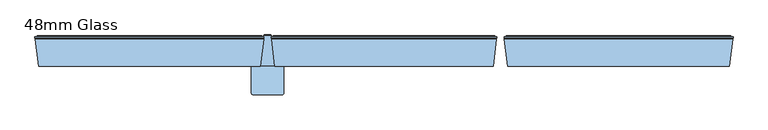
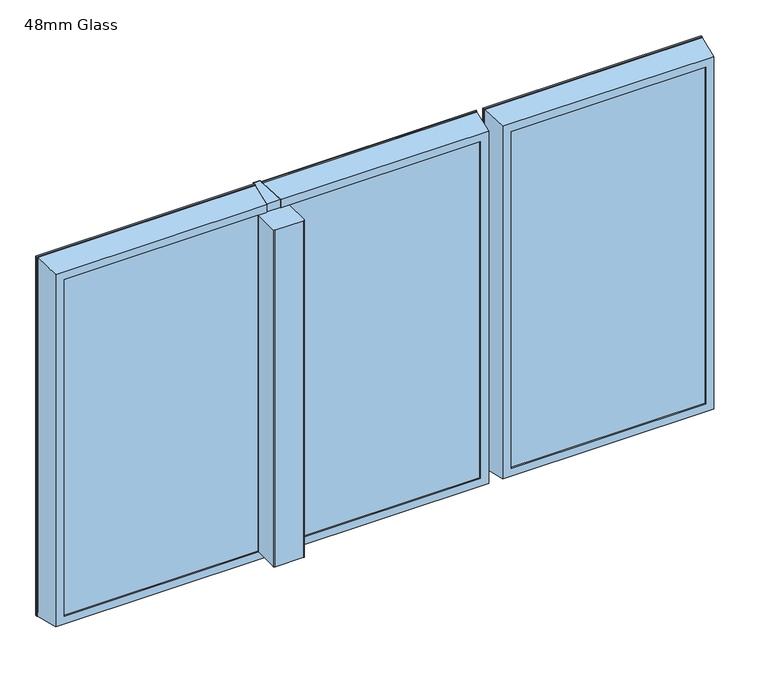
"""IFC4 building model written with IfcOpenShell, lengths in millimetres: window geometry, 48mm Glass."""

from ifc_helpers import new_model, si_unit, frame, origin, place, context, project, spatial, polyline, circle_curve, ellipse_curve, outline, extrude, source, transform, mapped, element, save
from ifc_brep_helpers import plane_surface, cylinder_surface, revolved_surface, advanced_brep


def window_48mm_glass_6d3813c8(model_context):
    return source(origin(), model_context, "Body", "SolidModel", [
        extrude(outline(polyline([(-257.0, 93.0), (-702.0, 93.0), (-702.0, 141.0), (-257.0, 141.0), (-257.0, 93.0)])), frame((0.0, 0.0, 848.0), z_axis=(0.0, 0.0, 1.0), x_axis=(1.0, 0.0, 0.0)), (0.0, 0.0, 1.0), 792.0),
        advanced_brep(
        [(-271.0, 142.3448353, 1626.0), (-268.1115983, 151.7923717, 1628.8884017), (-268.1115983, 151.7923717, 859.1115983), (-271.0, 142.3448353, 862.0), (-271.0, 141.0, 1626.0), (-271.0, 141.0, 862.0), (-257.0, 93.0, 1640.0), (-257.0, 141.0, 1640.0), (-257.0, 141.0, 848.0), (-257.0, 93.0, 848.0), (-271.0, 90.0, 1626.0), (-271.0, 93.0, 1626.0), (-271.0, 93.0, 862.0), (-271.0, 90.0, 862.0), (-246.177975, 145.5609347, 1650.822025), (-253.0, 90.0, 1644.0), (-253.0, 90.0, 844.0), (-246.177975, 145.5609347, 837.177975), (-245.4, 147.2, 1651.6), (-245.4, 147.2, 836.4), (-245.4, 150.5, 1651.6), (-245.4, 150.5, 836.4), (-249.78, 151.5, 1647.22), (-249.78, 150.5, 1647.22), (-249.78, 150.5, 840.78), (-249.78, 151.5, 840.78), (-250.78, 152.5, 1646.22), (-250.78, 152.5, 841.78), (-267.1552935, 152.5, 1629.8447065), (-267.1552935, 152.5, 858.1552935), (-690.8884017, 151.7923717, 859.1115983), (-688.0, 142.3448353, 862.0), (-688.0, 141.0, 862.0), (-702.0, 141.0, 848.0), (-702.0, 93.0, 848.0), (-688.0, 93.0, 862.0), (-688.0, 90.0, 862.0), (-706.0, 90.0, 844.0), (-712.822025, 145.5609347, 837.177975), (-713.6, 147.2, 836.4), (-713.6, 150.5, 836.4), (-709.22, 150.5, 840.78), (-709.22, 151.5, 840.78), (-708.22, 152.5, 841.78), (-691.8447065, 152.5, 858.1552935), (-690.8884017, 151.7923717, 1628.8884017), (-688.0, 142.3448353, 1626.0), (-688.0, 141.0, 1626.0), (-702.0, 141.0, 1640.0), (-702.0, 93.0, 1640.0), (-688.0, 93.0, 1626.0), (-688.0, 90.0, 1626.0), (-706.0, 90.0, 1644.0), (-712.822025, 145.5609347, 1650.822025), (-713.6, 147.2, 1651.6), (-713.6, 150.5, 1651.6), (-709.22, 150.5, 1647.22), (-709.22, 151.5, 1647.22), (-708.22, 152.5, 1646.22), (-691.8447065, 152.5, 1629.8447065)],
        [
            (0, 1),
            (1, 2),
            (2, 3),
            (3, 0),
            (4, 0),
            (3, 5),
            (5, 4),
            (6, 7),
            (7, 8),
            (8, 9),
            (9, 6),
            (10, 11),
            (11, 12),
            (12, 13),
            (13, 10),
            (14, 15),
            (15, 16),
            (16, 17),
            (17, 14),
            (18, 14),
            (17, 19),
            (19, 18),
            (20, 18),
            (19, 21),
            (21, 20),
            (22, 23),
            (23, 24),
            (24, 25),
            (25, 22),
            (26, 22, ellipse_curve(frame((-250.78, 151.5, 1646.22), z_axis=(0.7071067811865475, 0.0, -0.7071067811865475), x_axis=(0.7071067811865474, 0.0, 0.7071067811865476)), 1.4142136, 1.0)),
            (25, 27, ellipse_curve(frame((-250.78, 151.5, 841.78), z_axis=(0.7071067811865475, 0.0, 0.7071067811865475), x_axis=(-0.7071067811865474, 0.0, 0.7071067811865476)), 1.4142136, 1.0)),
            (27, 26),
            (1, 28, ellipse_curve(frame((-267.1552935, 151.5, 1629.8447065), z_axis=(0.7071067811865475, 0.0, -0.7071067811865475), x_axis=(0.7071067811865474, 0.0, 0.7071067811865476)), 1.4142136, 1.0)),
            (28, 29),
            (29, 2, ellipse_curve(frame((-267.1552935, 151.5, 858.1552935), z_axis=(0.7071067811865475, 0.0, 0.7071067811865475), x_axis=(-0.7071067811865474, 0.0, 0.7071067811865476)), 1.4142136, 1.0)),
            (2, 30),
            (30, 31),
            (31, 3),
            (31, 32),
            (32, 5),
            (8, 33),
            (33, 34),
            (34, 9),
            (12, 35),
            (35, 36),
            (36, 13),
            (16, 37),
            (37, 38),
            (38, 17),
            (38, 39),
            (39, 19),
            (39, 40),
            (40, 21),
            (24, 41),
            (41, 42),
            (42, 25),
            (42, 43, ellipse_curve(frame((-708.22, 151.5, 841.78), z_axis=(0.7071067811865475, 0.0, -0.7071067811865475), x_axis=(0.7071067811865476, 0.0, 0.7071067811865474)), 1.4142136, 1.0)),
            (43, 27),
            (29, 44),
            (44, 30, ellipse_curve(frame((-691.8447065, 151.5, 858.1552935), z_axis=(0.7071067811865475, 0.0, -0.7071067811865475), x_axis=(0.7071067811865476, 0.0, 0.7071067811865474)), 1.4142136, 1.0)),
            (30, 45),
            (45, 46),
            (46, 31),
            (46, 47),
            (47, 32),
            (33, 48),
            (48, 49),
            (49, 34),
            (35, 50),
            (50, 51),
            (51, 36),
            (37, 52),
            (52, 53),
            (53, 38),
            (53, 54),
            (54, 39),
            (54, 55),
            (55, 40),
            (41, 56),
            (56, 57),
            (57, 42),
            (57, 58, ellipse_curve(frame((-708.22, 151.5, 1646.22), z_axis=(-0.7071067811865475, 0.0, -0.7071067811865475), x_axis=(0.7071067811865474, 0.0, -0.7071067811865476)), 1.4142136, 1.0)),
            (58, 43),
            (44, 59),
            (59, 45, ellipse_curve(frame((-691.8447065, 151.5, 1629.8447065), z_axis=(-0.7071067811865475, 0.0, -0.7071067811865475), x_axis=(0.7071067811865474, 0.0, -0.7071067811865476)), 1.4142136, 1.0)),
            (45, 1),
            (0, 46),
            (4, 47),
            (7, 48),
            (6, 49),
            (11, 50),
            (10, 51),
            (15, 52),
            (14, 53),
            (18, 54),
            (20, 55),
            (23, 56),
            (22, 57),
            (26, 58),
            (28, 59),
        ],
        [
            plane_surface(frame((-268.1115983, 151.7923717, 1628.8884017), z_axis=(-0.9563047559630347, 0.29237170472273977, 0.0), x_axis=(0.0, 0.0, -1.0))),
            plane_surface(frame((-271.0, 142.3448353, 1626.0), z_axis=(-1.0, 0.0, 0.0), x_axis=(0.0, 0.0, -1.0))),
            plane_surface(frame((-257.0, 141.0, 1640.0), z_axis=(-1.0, 0.0, 0.0), x_axis=(0.0, 0.0, -1.0))),
            plane_surface(frame((-271.0, 93.0, 1626.0), z_axis=(-1.0, 0.0, 0.0), x_axis=(0.0, 0.0, -1.0))),
            plane_surface(frame((-253.0, 90.0, 1644.0), z_axis=(0.9925461516413231, -0.12186934340513905, 0.0), x_axis=(0.0, 0.0, -1.0))),
            plane_surface(frame((-246.177975, 145.5609347, 1650.822025), z_axis=(0.9034015732556399, -0.4287955193786835, 0.0), x_axis=(0.0, 0.0, -1.0))),
            plane_surface(frame((-245.4, 147.2, 1651.6), z_axis=(1.0, 0.0, 0.0), x_axis=(0.0, 0.0, -1.0))),
            plane_surface(frame((-249.78, 150.5, 1647.22), z_axis=(1.0, 0.0, 0.0), x_axis=(0.0, 0.0, -1.0))),
            cylinder_surface(frame((-250.78, 151.5, 1676.0), z_axis=(0.0, 0.0, 1.0), x_axis=(0.0, -1.0, 0.0)), 1.0),
            cylinder_surface(frame((-267.1552935, 151.5, 1676.0), z_axis=(0.0, 0.0, 1.0), x_axis=(0.0, -1.0, 0.0)), 1.0),
            plane_surface(frame((-268.1115983, 151.7923717, 859.1115983), z_axis=(0.0, 0.29237170472273977, 0.9563047559630347), x_axis=(-1.0, 0.0, 0.0))),
            plane_surface(frame((-271.0, 142.3448353, 862.0), z_axis=(0.0, 0.0, 1.0), x_axis=(-1.0, 0.0, 0.0))),
            plane_surface(frame((-257.0, 141.0, 848.0), z_axis=(0.0, 0.0, 1.0), x_axis=(-1.0, 0.0, 0.0))),
            plane_surface(frame((-271.0, 93.0, 862.0), z_axis=(0.0, 0.0, 1.0), x_axis=(-1.0, 0.0, 0.0))),
            plane_surface(frame((-253.0, 90.0, 844.0), z_axis=(0.0, -0.12186934340513905, -0.9925461516413231), x_axis=(-1.0, 0.0, 0.0))),
            plane_surface(frame((-246.177975, 145.5609347, 837.177975), z_axis=(0.0, -0.4287955193786835, -0.9034015732556399), x_axis=(-1.0, 0.0, 0.0))),
            plane_surface(frame((-245.4, 147.2, 836.4), z_axis=(0.0, 0.0, -1.0), x_axis=(-1.0, 0.0, 0.0))),
            plane_surface(frame((-249.78, 150.5, 840.78), z_axis=(0.0, 0.0, -1.0), x_axis=(-1.0, 0.0, 0.0))),
            cylinder_surface(frame((-221.0, 151.5, 841.78), z_axis=(1.0, 0.0, 0.0), x_axis=(0.0, -1.0, 0.0)), 1.0),
            cylinder_surface(frame((-221.0, 151.5, 858.1552935), z_axis=(1.0, 0.0, 0.0), x_axis=(0.0, -1.0, 0.0)), 1.0),
            plane_surface(frame((-690.8884017, 151.7923717, 859.1115983), z_axis=(0.9563047559630347, 0.29237170472273977, 0.0), x_axis=(0.0, 0.0, 1.0))),
            plane_surface(frame((-688.0, 142.3448353, 862.0), z_axis=(1.0, 0.0, 0.0), x_axis=(0.0, 0.0, 1.0))),
            plane_surface(frame((-702.0, 141.0, 848.0), z_axis=(1.0, 0.0, 0.0), x_axis=(0.0, 0.0, 1.0))),
            plane_surface(frame((-688.0, 93.0, 862.0), z_axis=(1.0, 0.0, 0.0), x_axis=(0.0, 0.0, 1.0))),
            plane_surface(frame((-706.0, 90.0, 844.0), z_axis=(-0.9925461516413231, -0.12186934340513905, 0.0), x_axis=(0.0, 0.0, 1.0))),
            plane_surface(frame((-712.822025, 145.5609347, 837.177975), z_axis=(-0.9034015732556399, -0.4287955193786835, 0.0), x_axis=(0.0, 0.0, 1.0))),
            plane_surface(frame((-713.6, 147.2, 836.4), z_axis=(-1.0, 0.0, 0.0), x_axis=(0.0, 0.0, 1.0))),
            plane_surface(frame((-709.22, 150.5, 840.78), z_axis=(-1.0, 0.0, 0.0), x_axis=(0.0, 0.0, 1.0))),
            cylinder_surface(frame((-708.22, 151.5, 812.0), z_axis=(0.0, 0.0, -1.0), x_axis=(0.0, -1.0, 0.0)), 1.0),
            cylinder_surface(frame((-691.8447065, 151.5, 812.0), z_axis=(0.0, 0.0, -1.0), x_axis=(0.0, -1.0, 0.0)), 1.0),
            plane_surface(frame((-690.8884017, 151.7923717, 1628.8884017), z_axis=(0.0, 0.29237170472273977, -0.9563047559630347), x_axis=(1.0, 0.0, 0.0))),
            plane_surface(frame((-688.0, 142.3448353, 1626.0), z_axis=(0.0, 0.0, -1.0), x_axis=(1.0, 0.0, 0.0))),
            plane_surface(frame((-688.0, 141.0, 1626.0), z_axis=(0.0, -1.0, 0.0), x_axis=(1.0, 0.0, 0.0))),
            plane_surface(frame((-702.0, 141.0, 1640.0), z_axis=(0.0, 0.0, -1.0), x_axis=(1.0, 0.0, 0.0))),
            plane_surface(frame((-702.0, 93.0, 1640.0), z_axis=(0.0, 1.0, 0.0), x_axis=(1.0, 0.0, 0.0))),
            plane_surface(frame((-688.0, 93.0, 1626.0), z_axis=(0.0, 0.0, -1.0), x_axis=(1.0, 0.0, 0.0))),
            plane_surface(frame((-688.0, 90.0, 1626.0), z_axis=(0.0, -1.0, 0.0), x_axis=(1.0, 0.0, 0.0))),
            plane_surface(frame((-706.0, 90.0, 1644.0), z_axis=(0.0, -0.12186934340513905, 0.9925461516413231), x_axis=(1.0, 0.0, 0.0))),
            plane_surface(frame((-712.822025, 145.5609347, 1650.822025), z_axis=(0.0, -0.4287955193786835, 0.9034015732556399), x_axis=(1.0, 0.0, 0.0))),
            plane_surface(frame((-713.6, 147.2, 1651.6), z_axis=(0.0, 0.0, 1.0), x_axis=(1.0, 0.0, 0.0))),
            plane_surface(frame((-713.6, 150.5, 1651.6), z_axis=(0.0, 1.0, 0.0), x_axis=(1.0, 0.0, 0.0))),
            plane_surface(frame((-709.22, 150.5, 1647.22), z_axis=(0.0, 0.0, 1.0), x_axis=(1.0, 0.0, 0.0))),
            cylinder_surface(frame((-738.0, 151.5, 1646.22), z_axis=(-1.0, 0.0, 0.0), x_axis=(0.0, -1.0, 0.0)), 1.0),
            plane_surface(frame((-708.22, 152.5, 1646.22), z_axis=(0.0, 1.0, 0.0), x_axis=(1.0, 0.0, 0.0))),
            cylinder_surface(frame((-738.0, 151.5, 1629.8447065), z_axis=(-1.0, 0.0, 0.0), x_axis=(0.0, -1.0, 0.0)), 1.0),
        ],
        [
            (0, [[1, 2, 3, 4]]),
            (1, [[5, -4, 6, 7]]),
            (2, [[8, 9, 10, 11]]),
            (3, [[12, 13, 14, 15]]),
            (4, [[16, 17, 18, 19]]),
            (5, [[20, -19, 21, 22]]),
            (6, [[23, -22, 24, 25]]),
            (7, [[26, 27, 28, 29]]),
            (8, [[30, -29, 31, 32]]),
            (9, [[33, 34, 35, -2]]),
            (10, [[-3, 36, 37, 38]]),
            (11, [[-6, -38, 39, 40]]),
            (12, [[-10, 41, 42, 43]]),
            (13, [[-14, 44, 45, 46]]),
            (14, [[-18, 47, 48, 49]]),
            (15, [[-21, -49, 50, 51]]),
            (16, [[-24, -51, 52, 53]]),
            (17, [[-28, 54, 55, 56]]),
            (18, [[-31, -56, 57, 58]]),
            (19, [[-35, 59, 60, -36]]),
            (20, [[-37, 61, 62, 63]]),
            (21, [[-39, -63, 64, 65]]),
            (22, [[-42, 66, 67, 68]]),
            (23, [[-45, 69, 70, 71]]),
            (24, [[-48, 72, 73, 74]]),
            (25, [[-50, -74, 75, 76]]),
            (26, [[-52, -76, 77, 78]]),
            (27, [[-55, 79, 80, 81]]),
            (28, [[-57, -81, 82, 83]]),
            (29, [[-60, 84, 85, -61]]),
            (30, [[-62, 86, -1, 87]]),
            (31, [[-64, -87, -5, 88]]),
            (32, [[89, -66, -41, -9], [-40, -65, -88, -7]]),
            (33, [[-67, -89, -8, 90]]),
            (34, [[-43, -68, -90, -11], [91, -69, -44, -13]]),
            (35, [[-70, -91, -12, 92]]),
            (36, [[93, -72, -47, -17], [-46, -71, -92, -15]]),
            (37, [[-73, -93, -16, 94]]),
            (38, [[-75, -94, -20, 95]]),
            (39, [[-77, -95, -23, 96]]),
            (40, [[-53, -78, -96, -25], [97, -79, -54, -27]]),
            (41, [[-80, -97, -26, 98]]),
            (42, [[-82, -98, -30, 99]]),
            (43, [[-58, -83, -99, -32], [100, -84, -59, -34]]),
            (44, [[-85, -100, -33, -86]]),
        ],
    ),
        extrude(outline(polyline([(219.0, 93.0), (-219.0, 93.0), (-219.0, 141.0), (219.0, 141.0), (219.0, 93.0)])), frame((0.0, 0.0, 848.0), z_axis=(0.0, 0.0, 1.0), x_axis=(1.0, 0.0, 0.0)), (0.0, 0.0, 1.0), 792.0),
        advanced_brep(
        [(205.0, 142.3448353, 1626.0), (207.8884017, 151.7923717, 1628.8884017), (207.8884017, 151.7923717, 859.1115983), (205.0, 142.3448353, 862.0), (205.0, 141.0, 1626.0), (205.0, 141.0, 862.0), (219.0, 93.0, 1640.0), (219.0, 141.0, 1640.0), (219.0, 141.0, 848.0), (219.0, 93.0, 848.0), (205.0, 90.0, 1626.0), (205.0, 93.0, 1626.0), (205.0, 93.0, 862.0), (205.0, 90.0, 862.0), (229.822025, 145.5609347, 1650.822025), (223.0, 90.0, 1644.0), (223.0, 90.0, 844.0), (229.822025, 145.5609347, 837.177975), (230.6, 147.2, 1651.6), (230.6, 147.2, 836.4), (230.6, 150.5, 1651.6), (230.6, 150.5, 836.4), (226.22, 151.5, 1647.22), (226.22, 150.5, 1647.22), (226.22, 150.5, 840.78), (226.22, 151.5, 840.78), (225.22, 152.5, 1646.22), (225.22, 152.5, 841.78), (208.8447065, 152.5, 1629.8447065), (208.8447065, 152.5, 858.1552935), (-207.8884017, 151.7923717, 859.1115983), (-205.0, 142.3448353, 862.0), (-205.0, 141.0, 862.0), (-219.0, 141.0, 848.0), (-219.0, 93.0, 848.0), (-205.0, 93.0, 862.0), (-205.0, 90.0, 862.0), (-223.0, 90.0, 844.0), (-229.822025, 145.5609347, 837.177975), (-230.6, 147.2, 836.4), (-230.6, 150.5, 836.4), (-226.22, 150.5, 840.78), (-226.22, 151.5, 840.78), (-225.22, 152.5, 841.78), (-208.8447065, 152.5, 858.1552935), (-207.8884017, 151.7923717, 1628.8884017), (-205.0, 142.3448353, 1626.0), (-205.0, 141.0, 1626.0), (-219.0, 141.0, 1640.0), (-219.0, 93.0, 1640.0), (-205.0, 93.0, 1626.0), (-205.0, 90.0, 1626.0), (-223.0, 90.0, 1644.0), (-229.822025, 145.5609347, 1650.822025), (-230.6, 147.2, 1651.6), (-230.6, 150.5, 1651.6), (-226.22, 150.5, 1647.22), (-226.22, 151.5, 1647.22), (-225.22, 152.5, 1646.22), (-208.8447065, 152.5, 1629.8447065)],
        [
            (0, 1),
            (1, 2),
            (2, 3),
            (3, 0),
            (4, 0),
            (3, 5),
            (5, 4),
            (6, 7),
            (7, 8),
            (8, 9),
            (9, 6),
            (10, 11),
            (11, 12),
            (12, 13),
            (13, 10),
            (14, 15),
            (15, 16),
            (16, 17),
            (17, 14),
            (18, 14),
            (17, 19),
            (19, 18),
            (20, 18),
            (19, 21),
            (21, 20),
            (22, 23),
            (23, 24),
            (24, 25),
            (25, 22),
            (26, 22, ellipse_curve(frame((225.22, 151.5, 1646.22), z_axis=(0.7071067811865475, 0.0, -0.7071067811865475), x_axis=(0.7071067811865474, 0.0, 0.7071067811865476)), 1.4142136, 1.0)),
            (25, 27, ellipse_curve(frame((225.22, 151.5, 841.78), z_axis=(0.7071067811865475, 0.0, 0.7071067811865475), x_axis=(-0.7071067811865474, 0.0, 0.7071067811865476)), 1.4142136, 1.0)),
            (27, 26),
            (1, 28, ellipse_curve(frame((208.8447065, 151.5, 1629.8447065), z_axis=(0.7071067811865475, 0.0, -0.7071067811865475), x_axis=(0.7071067811865474, 0.0, 0.7071067811865476)), 1.4142136, 1.0)),
            (28, 29),
            (29, 2, ellipse_curve(frame((208.8447065, 151.5, 858.1552935), z_axis=(0.7071067811865475, 0.0, 0.7071067811865475), x_axis=(-0.7071067811865474, 0.0, 0.7071067811865476)), 1.4142136, 1.0)),
            (2, 30),
            (30, 31),
            (31, 3),
            (31, 32),
            (32, 5),
            (8, 33),
            (33, 34),
            (34, 9),
            (12, 35),
            (35, 36),
            (36, 13),
            (16, 37),
            (37, 38),
            (38, 17),
            (38, 39),
            (39, 19),
            (39, 40),
            (40, 21),
            (24, 41),
            (41, 42),
            (42, 25),
            (42, 43, ellipse_curve(frame((-225.22, 151.5, 841.78), z_axis=(0.7071067811865475, 0.0, -0.7071067811865475), x_axis=(0.7071067811865476, 0.0, 0.7071067811865474)), 1.4142136, 1.0)),
            (43, 27),
            (29, 44),
            (44, 30, ellipse_curve(frame((-208.8447065, 151.5, 858.1552935), z_axis=(0.7071067811865475, 0.0, -0.7071067811865475), x_axis=(0.7071067811865476, 0.0, 0.7071067811865474)), 1.4142136, 1.0)),
            (30, 45),
            (45, 46),
            (46, 31),
            (46, 47),
            (47, 32),
            (33, 48),
            (48, 49),
            (49, 34),
            (35, 50),
            (50, 51),
            (51, 36),
            (37, 52),
            (52, 53),
            (53, 38),
            (53, 54),
            (54, 39),
            (54, 55),
            (55, 40),
            (41, 56),
            (56, 57),
            (57, 42),
            (57, 58, ellipse_curve(frame((-225.22, 151.5, 1646.22), z_axis=(-0.7071067811865475, 0.0, -0.7071067811865475), x_axis=(0.7071067811865474, 0.0, -0.7071067811865476)), 1.4142136, 1.0)),
            (58, 43),
            (44, 59),
            (59, 45, ellipse_curve(frame((-208.8447065, 151.5, 1629.8447065), z_axis=(-0.7071067811865475, 0.0, -0.7071067811865475), x_axis=(0.7071067811865474, 0.0, -0.7071067811865476)), 1.4142136, 1.0)),
            (45, 1),
            (0, 46),
            (4, 47),
            (7, 48),
            (6, 49),
            (11, 50),
            (10, 51),
            (15, 52),
            (14, 53),
            (18, 54),
            (20, 55),
            (23, 56),
            (22, 57),
            (26, 58),
            (28, 59),
        ],
        [
            plane_surface(frame((207.8884017, 151.7923717, 1628.8884017), z_axis=(-0.9563047559630347, 0.29237170472273977, 0.0), x_axis=(0.0, 0.0, -1.0))),
            plane_surface(frame((205.0, 142.3448353, 1626.0), z_axis=(-1.0, 0.0, 0.0), x_axis=(0.0, 0.0, -1.0))),
            plane_surface(frame((219.0, 141.0, 1640.0), z_axis=(-1.0, 0.0, 0.0), x_axis=(0.0, 0.0, -1.0))),
            plane_surface(frame((205.0, 93.0, 1626.0), z_axis=(-1.0, 0.0, 0.0), x_axis=(0.0, 0.0, -1.0))),
            plane_surface(frame((223.0, 90.0, 1644.0), z_axis=(0.9925461516413231, -0.12186934340513905, 0.0), x_axis=(0.0, 0.0, -1.0))),
            plane_surface(frame((229.822025, 145.5609347, 1650.822025), z_axis=(0.9034015732556399, -0.4287955193786835, 0.0), x_axis=(0.0, 0.0, -1.0))),
            plane_surface(frame((230.6, 147.2, 1651.6), z_axis=(1.0, 0.0, 0.0), x_axis=(0.0, 0.0, -1.0))),
            plane_surface(frame((226.22, 150.5, 1647.22), z_axis=(1.0, 0.0, 0.0), x_axis=(0.0, 0.0, -1.0))),
            cylinder_surface(frame((225.22, 151.5, 1676.0), z_axis=(0.0, 0.0, 1.0), x_axis=(0.0, -1.0, 0.0)), 1.0),
            cylinder_surface(frame((208.8447065, 151.5, 1676.0), z_axis=(0.0, 0.0, 1.0), x_axis=(0.0, -1.0, 0.0)), 1.0),
            plane_surface(frame((207.8884017, 151.7923717, 859.1115983), z_axis=(0.0, 0.29237170472273977, 0.9563047559630347), x_axis=(-1.0, 0.0, 0.0))),
            plane_surface(frame((205.0, 142.3448353, 862.0), z_axis=(0.0, 0.0, 1.0), x_axis=(-1.0, 0.0, 0.0))),
            plane_surface(frame((219.0, 141.0, 848.0), z_axis=(0.0, 0.0, 1.0), x_axis=(-1.0, 0.0, 0.0))),
            plane_surface(frame((205.0, 93.0, 862.0), z_axis=(0.0, 0.0, 1.0), x_axis=(-1.0, 0.0, 0.0))),
            plane_surface(frame((223.0, 90.0, 844.0), z_axis=(0.0, -0.12186934340513905, -0.9925461516413231), x_axis=(-1.0, 0.0, 0.0))),
            plane_surface(frame((229.822025, 145.5609347, 837.177975), z_axis=(0.0, -0.4287955193786835, -0.9034015732556399), x_axis=(-1.0, 0.0, 0.0))),
            plane_surface(frame((230.6, 147.2, 836.4), z_axis=(0.0, 0.0, -1.0), x_axis=(-1.0, 0.0, 0.0))),
            plane_surface(frame((226.22, 150.5, 840.78), z_axis=(0.0, 0.0, -1.0), x_axis=(-1.0, 0.0, 0.0))),
            cylinder_surface(frame((255.0, 151.5, 841.78), z_axis=(1.0, 0.0, 0.0), x_axis=(0.0, -1.0, 0.0)), 1.0),
            cylinder_surface(frame((255.0, 151.5, 858.1552935), z_axis=(1.0, 0.0, 0.0), x_axis=(0.0, -1.0, 0.0)), 1.0),
            plane_surface(frame((-207.8884017, 151.7923717, 859.1115983), z_axis=(0.9563047559630347, 0.29237170472273977, 0.0), x_axis=(0.0, 0.0, 1.0))),
            plane_surface(frame((-205.0, 142.3448353, 862.0), z_axis=(1.0, 0.0, 0.0), x_axis=(0.0, 0.0, 1.0))),
            plane_surface(frame((-219.0, 141.0, 848.0), z_axis=(1.0, 0.0, 0.0), x_axis=(0.0, 0.0, 1.0))),
            plane_surface(frame((-205.0, 93.0, 862.0), z_axis=(1.0, 0.0, 0.0), x_axis=(0.0, 0.0, 1.0))),
            plane_surface(frame((-223.0, 90.0, 844.0), z_axis=(-0.9925461516413231, -0.12186934340513905, 0.0), x_axis=(0.0, 0.0, 1.0))),
            plane_surface(frame((-229.822025, 145.5609347, 837.177975), z_axis=(-0.9034015732556399, -0.4287955193786835, 0.0), x_axis=(0.0, 0.0, 1.0))),
            plane_surface(frame((-230.6, 147.2, 836.4), z_axis=(-1.0, 0.0, 0.0), x_axis=(0.0, 0.0, 1.0))),
            plane_surface(frame((-226.22, 150.5, 840.78), z_axis=(-1.0, 0.0, 0.0), x_axis=(0.0, 0.0, 1.0))),
            cylinder_surface(frame((-225.22, 151.5, 812.0), z_axis=(0.0, 0.0, -1.0), x_axis=(0.0, -1.0, 0.0)), 1.0),
            cylinder_surface(frame((-208.8447065, 151.5, 812.0), z_axis=(0.0, 0.0, -1.0), x_axis=(0.0, -1.0, 0.0)), 1.0),
            plane_surface(frame((-207.8884017, 151.7923717, 1628.8884017), z_axis=(0.0, 0.29237170472273977, -0.9563047559630347), x_axis=(1.0, 0.0, 0.0))),
            plane_surface(frame((-205.0, 142.3448353, 1626.0), z_axis=(0.0, 0.0, -1.0), x_axis=(1.0, 0.0, 0.0))),
            plane_surface(frame((-205.0, 141.0, 1626.0), z_axis=(0.0, -1.0, 0.0), x_axis=(1.0, 0.0, 0.0))),
            plane_surface(frame((-219.0, 141.0, 1640.0), z_axis=(0.0, 0.0, -1.0), x_axis=(1.0, 0.0, 0.0))),
            plane_surface(frame((-219.0, 93.0, 1640.0), z_axis=(0.0, 1.0, 0.0), x_axis=(1.0, 0.0, 0.0))),
            plane_surface(frame((-205.0, 93.0, 1626.0), z_axis=(0.0, 0.0, -1.0), x_axis=(1.0, 0.0, 0.0))),
            plane_surface(frame((-205.0, 90.0, 1626.0), z_axis=(0.0, -1.0, 0.0), x_axis=(1.0, 0.0, 0.0))),
            plane_surface(frame((-223.0, 90.0, 1644.0), z_axis=(0.0, -0.12186934340513905, 0.9925461516413231), x_axis=(1.0, 0.0, 0.0))),
            plane_surface(frame((-229.822025, 145.5609347, 1650.822025), z_axis=(0.0, -0.4287955193786835, 0.9034015732556399), x_axis=(1.0, 0.0, 0.0))),
            plane_surface(frame((-230.6, 147.2, 1651.6), z_axis=(0.0, 0.0, 1.0), x_axis=(1.0, 0.0, 0.0))),
            plane_surface(frame((-230.6, 150.5, 1651.6), z_axis=(0.0, 1.0, 0.0), x_axis=(1.0, 0.0, 0.0))),
            plane_surface(frame((-226.22, 150.5, 1647.22), z_axis=(0.0, 0.0, 1.0), x_axis=(1.0, 0.0, 0.0))),
            cylinder_surface(frame((-255.0, 151.5, 1646.22), z_axis=(-1.0, 0.0, 0.0), x_axis=(0.0, -1.0, 0.0)), 1.0),
            plane_surface(frame((-225.22, 152.5, 1646.22), z_axis=(0.0, 1.0, 0.0), x_axis=(1.0, 0.0, 0.0))),
            cylinder_surface(frame((-255.0, 151.5, 1629.8447065), z_axis=(-1.0, 0.0, 0.0), x_axis=(0.0, -1.0, 0.0)), 1.0),
        ],
        [
            (0, [[1, 2, 3, 4]]),
            (1, [[5, -4, 6, 7]]),
            (2, [[8, 9, 10, 11]]),
            (3, [[12, 13, 14, 15]]),
            (4, [[16, 17, 18, 19]]),
            (5, [[20, -19, 21, 22]]),
            (6, [[23, -22, 24, 25]]),
            (7, [[26, 27, 28, 29]]),
            (8, [[30, -29, 31, 32]]),
            (9, [[33, 34, 35, -2]]),
            (10, [[-3, 36, 37, 38]]),
            (11, [[-6, -38, 39, 40]]),
            (12, [[-10, 41, 42, 43]]),
            (13, [[-14, 44, 45, 46]]),
            (14, [[-18, 47, 48, 49]]),
            (15, [[-21, -49, 50, 51]]),
            (16, [[-24, -51, 52, 53]]),
            (17, [[-28, 54, 55, 56]]),
            (18, [[-31, -56, 57, 58]]),
            (19, [[-35, 59, 60, -36]]),
            (20, [[-37, 61, 62, 63]]),
            (21, [[-39, -63, 64, 65]]),
            (22, [[-42, 66, 67, 68]]),
            (23, [[-45, 69, 70, 71]]),
            (24, [[-48, 72, 73, 74]]),
            (25, [[-50, -74, 75, 76]]),
            (26, [[-52, -76, 77, 78]]),
            (27, [[-55, 79, 80, 81]]),
            (28, [[-57, -81, 82, 83]]),
            (29, [[-60, 84, 85, -61]]),
            (30, [[-62, 86, -1, 87]]),
            (31, [[-64, -87, -5, 88]]),
            (32, [[89, -66, -41, -9], [-40, -65, -88, -7]]),
            (33, [[-67, -89, -8, 90]]),
            (34, [[-43, -68, -90, -11], [91, -69, -44, -13]]),
            (35, [[-70, -91, -12, 92]]),
            (36, [[93, -72, -47, -17], [-46, -71, -92, -15]]),
            (37, [[-73, -93, -16, 94]]),
            (38, [[-75, -94, -20, 95]]),
            (39, [[-77, -95, -23, 96]]),
            (40, [[-53, -78, -96, -25], [97, -79, -54, -27]]),
            (41, [[-80, -97, -26, 98]]),
            (42, [[-82, -98, -30, 99]]),
            (43, [[-58, -83, -99, -32], [100, -84, -59, -34]]),
            (44, [[-85, -100, -33, -86]]),
        ],
    ),
        extrude(outline(polyline([(702.0, 93.0), (257.0, 93.0), (257.0, 141.0), (702.0, 141.0), (702.0, 93.0)])), frame((0.0, 0.0, 848.0), z_axis=(0.0, 0.0, 1.0), x_axis=(1.0, 0.0, 0.0)), (0.0, 0.0, 1.0), 792.0),
        advanced_brep(
        [(688.0, 142.3448353, 1626.0), (690.8884017, 151.7923717, 1628.8884017), (690.8884017, 151.7923717, 859.1115983), (688.0, 142.3448353, 862.0), (688.0, 141.0, 1626.0), (688.0, 141.0, 862.0), (702.0, 93.0, 1640.0), (702.0, 141.0, 1640.0), (702.0, 141.0, 848.0), (702.0, 93.0, 848.0), (688.0, 90.0, 1626.0), (688.0, 93.0, 1626.0), (688.0, 93.0, 862.0), (688.0, 90.0, 862.0), (712.822025, 145.5609347, 1650.822025), (706.0, 90.0, 1644.0), (706.0, 90.0, 844.0), (712.822025, 145.5609347, 837.177975), (713.6, 147.2, 1651.6), (713.6, 147.2, 836.4), (713.6, 150.5, 1651.6), (713.6, 150.5, 836.4), (709.22, 151.5, 1647.22), (709.22, 150.5, 1647.22), (709.22, 150.5, 840.78), (709.22, 151.5, 840.78), (708.22, 152.5, 1646.22), (708.22, 152.5, 841.78), (691.8447065, 152.5, 1629.8447065), (691.8447065, 152.5, 858.1552935), (268.1115983, 151.7923717, 859.1115983), (271.0, 142.3448353, 862.0), (271.0, 141.0, 862.0), (257.0, 141.0, 848.0), (257.0, 93.0, 848.0), (271.0, 93.0, 862.0), (271.0, 90.0, 862.0), (253.0, 90.0, 844.0), (246.177975, 145.5609347, 837.177975), (245.4, 147.2, 836.4), (245.4, 150.5, 836.4), (249.78, 150.5, 840.78), (249.78, 151.5, 840.78), (250.78, 152.5, 841.78), (267.1552935, 152.5, 858.1552935), (268.1115983, 151.7923717, 1628.8884017), (271.0, 142.3448353, 1626.0), (271.0, 141.0, 1626.0), (257.0, 141.0, 1640.0), (257.0, 93.0, 1640.0), (271.0, 93.0, 1626.0), (271.0, 90.0, 1626.0), (253.0, 90.0, 1644.0), (246.177975, 145.5609347, 1650.822025), (245.4, 147.2, 1651.6), (245.4, 150.5, 1651.6), (249.78, 150.5, 1647.22), (249.78, 151.5, 1647.22), (250.78, 152.5, 1646.22), (267.1552935, 152.5, 1629.8447065)],
        [
            (0, 1),
            (1, 2),
            (2, 3),
            (3, 0),
            (4, 0),
            (3, 5),
            (5, 4),
            (6, 7),
            (7, 8),
            (8, 9),
            (9, 6),
            (10, 11),
            (11, 12),
            (12, 13),
            (13, 10),
            (14, 15),
            (15, 16),
            (16, 17),
            (17, 14),
            (18, 14),
            (17, 19),
            (19, 18),
            (20, 18),
            (19, 21),
            (21, 20),
            (22, 23),
            (23, 24),
            (24, 25),
            (25, 22),
            (26, 22, ellipse_curve(frame((708.22, 151.5, 1646.22), z_axis=(0.7071067811865475, 0.0, -0.7071067811865475), x_axis=(0.7071067811865474, 0.0, 0.7071067811865476)), 1.4142136, 1.0)),
            (25, 27, ellipse_curve(frame((708.22, 151.5, 841.78), z_axis=(0.7071067811865475, 0.0, 0.7071067811865475), x_axis=(-0.7071067811865474, 0.0, 0.7071067811865476)), 1.4142136, 1.0)),
            (27, 26),
            (1, 28, ellipse_curve(frame((691.8447065, 151.5, 1629.8447065), z_axis=(0.7071067811865475, 0.0, -0.7071067811865475), x_axis=(0.7071067811865474, 0.0, 0.7071067811865476)), 1.4142136, 1.0)),
            (28, 29),
            (29, 2, ellipse_curve(frame((691.8447065, 151.5, 858.1552935), z_axis=(0.7071067811865475, 0.0, 0.7071067811865475), x_axis=(-0.7071067811865474, 0.0, 0.7071067811865476)), 1.4142136, 1.0)),
            (2, 30),
            (30, 31),
            (31, 3),
            (31, 32),
            (32, 5),
            (8, 33),
            (33, 34),
            (34, 9),
            (12, 35),
            (35, 36),
            (36, 13),
            (16, 37),
            (37, 38),
            (38, 17),
            (38, 39),
            (39, 19),
            (39, 40),
            (40, 21),
            (24, 41),
            (41, 42),
            (42, 25),
            (42, 43, ellipse_curve(frame((250.78, 151.5, 841.78), z_axis=(0.7071067811865475, 0.0, -0.7071067811865475), x_axis=(0.7071067811865476, 0.0, 0.7071067811865474)), 1.4142136, 1.0)),
            (43, 27),
            (29, 44),
            (44, 30, ellipse_curve(frame((267.1552935, 151.5, 858.1552935), z_axis=(0.7071067811865475, 0.0, -0.7071067811865475), x_axis=(0.7071067811865476, 0.0, 0.7071067811865474)), 1.4142136, 1.0)),
            (30, 45),
            (45, 46),
            (46, 31),
            (46, 47),
            (47, 32),
            (33, 48),
            (48, 49),
            (49, 34),
            (35, 50),
            (50, 51),
            (51, 36),
            (37, 52),
            (52, 53),
            (53, 38),
            (53, 54),
            (54, 39),
            (54, 55),
            (55, 40),
            (41, 56),
            (56, 57),
            (57, 42),
            (57, 58, ellipse_curve(frame((250.78, 151.5, 1646.22), z_axis=(-0.7071067811865475, 0.0, -0.7071067811865475), x_axis=(0.7071067811865474, 0.0, -0.7071067811865476)), 1.4142136, 1.0)),
            (58, 43),
            (44, 59),
            (59, 45, ellipse_curve(frame((267.1552935, 151.5, 1629.8447065), z_axis=(-0.7071067811865475, 0.0, -0.7071067811865475), x_axis=(0.7071067811865474, 0.0, -0.7071067811865476)), 1.4142136, 1.0)),
            (45, 1),
            (0, 46),
            (4, 47),
            (7, 48),
            (6, 49),
            (11, 50),
            (10, 51),
            (15, 52),
            (14, 53),
            (18, 54),
            (20, 55),
            (23, 56),
            (22, 57),
            (26, 58),
            (28, 59),
        ],
        [
            plane_surface(frame((690.8884017, 151.7923717, 1628.8884017), z_axis=(-0.9563047559630347, 0.29237170472273977, 0.0), x_axis=(0.0, 0.0, -1.0))),
            plane_surface(frame((688.0, 142.3448353, 1626.0), z_axis=(-1.0, 0.0, 0.0), x_axis=(0.0, 0.0, -1.0))),
            plane_surface(frame((702.0, 141.0, 1640.0), z_axis=(-1.0, 0.0, 0.0), x_axis=(0.0, 0.0, -1.0))),
            plane_surface(frame((688.0, 93.0, 1626.0), z_axis=(-1.0, 0.0, 0.0), x_axis=(0.0, 0.0, -1.0))),
            plane_surface(frame((706.0, 90.0, 1644.0), z_axis=(0.9925461516413231, -0.12186934340513905, 0.0), x_axis=(0.0, 0.0, -1.0))),
            plane_surface(frame((712.822025, 145.5609347, 1650.822025), z_axis=(0.9034015732556399, -0.4287955193786835, 0.0), x_axis=(0.0, 0.0, -1.0))),
            plane_surface(frame((713.6, 147.2, 1651.6), z_axis=(1.0, 0.0, 0.0), x_axis=(0.0, 0.0, -1.0))),
            plane_surface(frame((709.22, 150.5, 1647.22), z_axis=(1.0, 0.0, 0.0), x_axis=(0.0, 0.0, -1.0))),
            cylinder_surface(frame((708.22, 151.5, 1676.0), z_axis=(0.0, 0.0, 1.0), x_axis=(0.0, -1.0, 0.0)), 1.0),
            cylinder_surface(frame((691.8447065, 151.5, 1676.0), z_axis=(0.0, 0.0, 1.0), x_axis=(0.0, -1.0, 0.0)), 1.0),
            plane_surface(frame((690.8884017, 151.7923717, 859.1115983), z_axis=(0.0, 0.29237170472273977, 0.9563047559630347), x_axis=(-1.0, 0.0, 0.0))),
            plane_surface(frame((688.0, 142.3448353, 862.0), z_axis=(0.0, 0.0, 1.0), x_axis=(-1.0, 0.0, 0.0))),
            plane_surface(frame((702.0, 141.0, 848.0), z_axis=(0.0, 0.0, 1.0), x_axis=(-1.0, 0.0, 0.0))),
            plane_surface(frame((688.0, 93.0, 862.0), z_axis=(0.0, 0.0, 1.0), x_axis=(-1.0, 0.0, 0.0))),
            plane_surface(frame((706.0, 90.0, 844.0), z_axis=(0.0, -0.12186934340513905, -0.9925461516413231), x_axis=(-1.0, 0.0, 0.0))),
            plane_surface(frame((712.822025, 145.5609347, 837.177975), z_axis=(0.0, -0.4287955193786835, -0.9034015732556399), x_axis=(-1.0, 0.0, 0.0))),
            plane_surface(frame((713.6, 147.2, 836.4), z_axis=(0.0, 0.0, -1.0), x_axis=(-1.0, 0.0, 0.0))),
            plane_surface(frame((709.22, 150.5, 840.78), z_axis=(0.0, 0.0, -1.0), x_axis=(-1.0, 0.0, 0.0))),
            cylinder_surface(frame((738.0, 151.5, 841.78), z_axis=(1.0, 0.0, 0.0), x_axis=(0.0, -1.0, 0.0)), 1.0),
            cylinder_surface(frame((738.0, 151.5, 858.1552935), z_axis=(1.0, 0.0, 0.0), x_axis=(0.0, -1.0, 0.0)), 1.0),
            plane_surface(frame((268.1115983, 151.7923717, 859.1115983), z_axis=(0.9563047559630347, 0.29237170472273977, 0.0), x_axis=(0.0, 0.0, 1.0))),
            plane_surface(frame((271.0, 142.3448353, 862.0), z_axis=(1.0, 0.0, 0.0), x_axis=(0.0, 0.0, 1.0))),
            plane_surface(frame((257.0, 141.0, 848.0), z_axis=(1.0, 0.0, 0.0), x_axis=(0.0, 0.0, 1.0))),
            plane_surface(frame((271.0, 93.0, 862.0), z_axis=(1.0, 0.0, 0.0), x_axis=(0.0, 0.0, 1.0))),
            plane_surface(frame((253.0, 90.0, 844.0), z_axis=(-0.9925461516413231, -0.12186934340513905, 0.0), x_axis=(0.0, 0.0, 1.0))),
            plane_surface(frame((246.177975, 145.5609347, 837.177975), z_axis=(-0.9034015732556399, -0.4287955193786835, 0.0), x_axis=(0.0, 0.0, 1.0))),
            plane_surface(frame((245.4, 147.2, 836.4), z_axis=(-1.0, 0.0, 0.0), x_axis=(0.0, 0.0, 1.0))),
            plane_surface(frame((249.78, 150.5, 840.78), z_axis=(-1.0, 0.0, 0.0), x_axis=(0.0, 0.0, 1.0))),
            cylinder_surface(frame((250.78, 151.5, 812.0), z_axis=(0.0, 0.0, -1.0), x_axis=(0.0, -1.0, 0.0)), 1.0),
            cylinder_surface(frame((267.1552935, 151.5, 812.0), z_axis=(0.0, 0.0, -1.0), x_axis=(0.0, -1.0, 0.0)), 1.0),
            plane_surface(frame((268.1115983, 151.7923717, 1628.8884017), z_axis=(0.0, 0.29237170472273977, -0.9563047559630347), x_axis=(1.0, 0.0, 0.0))),
            plane_surface(frame((271.0, 142.3448353, 1626.0), z_axis=(0.0, 0.0, -1.0), x_axis=(1.0, 0.0, 0.0))),
            plane_surface(frame((271.0, 141.0, 1626.0), z_axis=(0.0, -1.0, 0.0), x_axis=(1.0, 0.0, 0.0))),
            plane_surface(frame((257.0, 141.0, 1640.0), z_axis=(0.0, 0.0, -1.0), x_axis=(1.0, 0.0, 0.0))),
            plane_surface(frame((257.0, 93.0, 1640.0), z_axis=(0.0, 1.0, 0.0), x_axis=(1.0, 0.0, 0.0))),
            plane_surface(frame((271.0, 93.0, 1626.0), z_axis=(0.0, 0.0, -1.0), x_axis=(1.0, 0.0, 0.0))),
            plane_surface(frame((271.0, 90.0, 1626.0), z_axis=(0.0, -1.0, 0.0), x_axis=(1.0, 0.0, 0.0))),
            plane_surface(frame((253.0, 90.0, 1644.0), z_axis=(0.0, -0.12186934340513905, 0.9925461516413231), x_axis=(1.0, 0.0, 0.0))),
            plane_surface(frame((246.177975, 145.5609347, 1650.822025), z_axis=(0.0, -0.4287955193786835, 0.9034015732556399), x_axis=(1.0, 0.0, 0.0))),
            plane_surface(frame((245.4, 147.2, 1651.6), z_axis=(0.0, 0.0, 1.0), x_axis=(1.0, 0.0, 0.0))),
            plane_surface(frame((245.4, 150.5, 1651.6), z_axis=(0.0, 1.0, 0.0), x_axis=(1.0, 0.0, 0.0))),
            plane_surface(frame((249.78, 150.5, 1647.22), z_axis=(0.0, 0.0, 1.0), x_axis=(1.0, 0.0, 0.0))),
            cylinder_surface(frame((221.0, 151.5, 1646.22), z_axis=(-1.0, 0.0, 0.0), x_axis=(0.0, -1.0, 0.0)), 1.0),
            plane_surface(frame((250.78, 152.5, 1646.22), z_axis=(0.0, 1.0, 0.0), x_axis=(1.0, 0.0, 0.0))),
            cylinder_surface(frame((221.0, 151.5, 1629.8447065), z_axis=(-1.0, 0.0, 0.0), x_axis=(0.0, -1.0, 0.0)), 1.0),
        ],
        [
            (0, [[1, 2, 3, 4]]),
            (1, [[5, -4, 6, 7]]),
            (2, [[8, 9, 10, 11]]),
            (3, [[12, 13, 14, 15]]),
            (4, [[16, 17, 18, 19]]),
            (5, [[20, -19, 21, 22]]),
            (6, [[23, -22, 24, 25]]),
            (7, [[26, 27, 28, 29]]),
            (8, [[30, -29, 31, 32]]),
            (9, [[33, 34, 35, -2]]),
            (10, [[-3, 36, 37, 38]]),
            (11, [[-6, -38, 39, 40]]),
            (12, [[-10, 41, 42, 43]]),
            (13, [[-14, 44, 45, 46]]),
            (14, [[-18, 47, 48, 49]]),
            (15, [[-21, -49, 50, 51]]),
            (16, [[-24, -51, 52, 53]]),
            (17, [[-28, 54, 55, 56]]),
            (18, [[-31, -56, 57, 58]]),
            (19, [[-35, 59, 60, -36]]),
            (20, [[-37, 61, 62, 63]]),
            (21, [[-39, -63, 64, 65]]),
            (22, [[-42, 66, 67, 68]]),
            (23, [[-45, 69, 70, 71]]),
            (24, [[-48, 72, 73, 74]]),
            (25, [[-50, -74, 75, 76]]),
            (26, [[-52, -76, 77, 78]]),
            (27, [[-55, 79, 80, 81]]),
            (28, [[-57, -81, 82, 83]]),
            (29, [[-60, 84, 85, -61]]),
            (30, [[-62, 86, -1, 87]]),
            (31, [[-64, -87, -5, 88]]),
            (32, [[89, -66, -41, -9], [-40, -65, -88, -7]]),
            (33, [[-67, -89, -8, 90]]),
            (34, [[-43, -68, -90, -11], [91, -69, -44, -13]]),
            (35, [[-70, -91, -12, 92]]),
            (36, [[93, -72, -47, -17], [-46, -71, -92, -15]]),
            (37, [[-73, -93, -16, 94]]),
            (38, [[-75, -94, -20, 95]]),
            (39, [[-77, -95, -23, 96]]),
            (40, [[-53, -78, -96, -25], [97, -79, -54, -27]]),
            (41, [[-80, -97, -26, 98]]),
            (42, [[-82, -98, -30, 99]]),
            (43, [[-58, -83, -99, -32], [100, -84, -59, -34]]),
            (44, [[-85, -100, -33, -86]]),
        ],
    ),
        advanced_brep(
        [(-254.3270879, 91.0, 862.0), (-271.0, 91.0, 862.0), (-271.0, 91.0, 1626.0), (-254.3270879, 91.0, 1626.0), (-271.0, 35.0, 862.0), (-271.0, 35.0, 1626.0), (-268.0, 32.0, 862.0), (-208.0, 32.0, 862.0), (-208.0, 32.0, 1626.0), (-268.0, 32.0, 1626.0), (-205.0, 35.0, 862.0), (-205.0, 91.0, 862.0), (-205.0, 91.0, 1626.0), (-205.0, 35.0, 1626.0), (-221.6729121, 91.0, 862.0), (-221.6729121, 91.0, 1626.0), (-223.1580624, 92.2894565, 843.8416747), (-229.8106952, 146.5609347, 837.177975), (-229.8106952, 146.5609347, 1650.822025), (-223.1580624, 92.2894565, 1644.1583253), (-246.1893048, 146.5609347, 837.177975), (-252.8419376, 92.2894565, 843.8416747), (-252.8419376, 92.2894565, 1644.1583253), (-246.1893048, 146.5609347, 1650.822025), (-254.3270879, 91.0, 844.0), (-221.6729121, 91.0, 844.0), (-230.6, 153.0, 836.4), (-245.4, 153.0, 836.4), (-244.4, 154.0, 836.4), (-231.6, 154.0, 836.4), (-245.4, 148.3029671, 836.9640803), (-230.6, 148.3029671, 836.9640803), (-221.6729121, 91.0, 1644.0), (-254.3270879, 91.0, 1644.0), (-245.4, 153.0, 1651.6), (-230.6, 153.0, 1651.6), (-231.6, 154.0, 1651.6), (-244.4, 154.0, 1651.6), (-230.6, 148.3029671, 1651.0359197), (-245.4, 148.3029671, 1651.0359197)],
        [
            (0, 1),
            (1, 2),
            (2, 3),
            (3, 0),
            (1, 4),
            (4, 5),
            (5, 2),
            (6, 7),
            (7, 8),
            (8, 9),
            (9, 6),
            (10, 11),
            (11, 12),
            (12, 13),
            (13, 10),
            (11, 14),
            (14, 15),
            (15, 12),
            (16, 17),
            (17, 18),
            (18, 19),
            (19, 16),
            (20, 21),
            (21, 22),
            (22, 23),
            (23, 20),
            (14, 0),
            (0, 24),
            (24, 25),
            (25, 14),
            (10, 7, circle_curve(frame((-208.0, 35.0, 862.0), z_axis=(0.0, 0.0, -1.0), x_axis=(1.0, 0.0, 0.0)), 3.0)),
            (6, 4, circle_curve(frame((-268.0, 35.0, 862.0), z_axis=(0.0, 0.0, -1.0), x_axis=(1.0, 0.0, 0.0)), 3.0)),
            (26, 27),
            (27, 28, circle_curve(frame((-244.4, 153.0, 836.4), z_axis=(0.0, 0.0, -1.0), x_axis=(1.0, 0.0, 0.0)), 1.0)),
            (28, 29),
            (29, 26, circle_curve(frame((-231.6, 153.0, 836.4), z_axis=(0.0, 0.0, -1.0), x_axis=(1.0, 0.0, 0.0)), 1.0)),
            (24, 21, ellipse_curve(frame((-254.3270879, 92.5, 843.8158232), z_axis=(0.0, 0.12186934340514982, 0.9925461516413218), x_axis=(0.0, 0.992546151641322, -0.12186934340514925)), 1.5112647, 1.5)),
            (20, 30),
            (30, 27),
            (26, 31),
            (31, 17),
            (16, 25, ellipse_curve(frame((-221.6729121, 92.5, 843.8158232), z_axis=(0.0, 0.12186934340514982, 0.9925461516413218), x_axis=(0.0, 0.992546151641322, -0.12186934340514925)), 1.5112647, 1.5)),
            (3, 15),
            (15, 32),
            (32, 33),
            (33, 3),
            (5, 9, circle_curve(frame((-268.0, 35.0, 1626.0), z_axis=(0.0, 0.0, 1.0), x_axis=(1.0, 0.0, 0.0)), 3.0)),
            (8, 13, circle_curve(frame((-208.0, 35.0, 1626.0), z_axis=(0.0, 0.0, 1.0), x_axis=(1.0, 0.0, 0.0)), 3.0)),
            (34, 35),
            (35, 36, circle_curve(frame((-231.6, 153.0, 1651.6), z_axis=(0.0, 0.0, 1.0), x_axis=(1.0, 0.0, 0.0)), 1.0)),
            (36, 37),
            (37, 34, circle_curve(frame((-244.4, 153.0, 1651.6), z_axis=(0.0, 0.0, 1.0), x_axis=(1.0, 0.0, 0.0)), 1.0)),
            (32, 19, ellipse_curve(frame((-221.6729121, 92.5, 1644.1841768), z_axis=(0.0, 0.12186934340515176, -0.9925461516413215), x_axis=(0.0, -0.9925461516413217, -0.12186934340515095)), 1.5112647, 1.5)),
            (18, 38),
            (38, 35),
            (34, 39),
            (39, 23),
            (22, 33, ellipse_curve(frame((-254.3270879, 92.5, 1644.1841768), z_axis=(0.0, 0.12186934340515176, -0.9925461516413215), x_axis=(0.0, -0.9925461516413217, -0.12186934340515095)), 1.5112647, 1.5)),
            (31, 38),
            (26, 35),
            (29, 36),
            (28, 37),
            (27, 34),
            (30, 39),
        ],
        [
            plane_surface(frame((-254.3270879, 91.0, 1676.0), z_axis=(0.0, 1.0, 0.0), x_axis=(0.0, 0.0, -1.0))),
            plane_surface(frame((-271.0, 91.0, 1676.0), z_axis=(-1.0, 0.0, 0.0), x_axis=(0.0, 0.0, -1.0))),
            plane_surface(frame((-268.0, 32.0, 1676.0), z_axis=(0.0, -1.0, 0.0), x_axis=(0.0, 0.0, -1.0))),
            plane_surface(frame((-205.0, 35.0, 1676.0), z_axis=(1.0, 0.0, 0.0), x_axis=(0.0, 0.0, -1.0))),
            plane_surface(frame((-205.0, 91.0, 1676.0), z_axis=(0.0, 1.0, 0.0), x_axis=(0.0, 0.0, -1.0))),
            plane_surface(frame((-223.1580624, 92.2894565, 1676.0), z_axis=(0.992570614202236, 0.12166994625706033, 0.0), x_axis=(0.0, 0.0, -1.0))),
            plane_surface(frame((-246.1893048, 146.5609347, 1676.0), z_axis=(-0.9925706142022382, 0.1216699462570421, 0.0), x_axis=(0.0, 0.0, -1.0))),
            plane_surface(frame((12.0, 91.0, 844.0), z_axis=(0.0, -1.0, 0.0), x_axis=(-1.0, 0.0, 0.0))),
            plane_surface(frame((12.0, 91.0, 862.0), z_axis=(0.0, 0.0, -1.0), x_axis=(-1.0, 0.0, 0.0))),
            plane_surface(frame((12.0, 154.0, 836.4), z_axis=(0.0, 0.0, -1.0), x_axis=(-1.0, 0.0, 0.0))),
            plane_surface(frame((12.0, 152.8970329, 836.4), z_axis=(0.0, -0.12186934340514982, -0.9925461516413218), x_axis=(-1.0, 0.0, 0.0))),
            plane_surface(frame((12.0, 91.0, 1626.0), z_axis=(0.0, -1.0, 0.0), x_axis=(-1.0, 0.0, 0.0))),
            plane_surface(frame((12.0, 32.0, 1626.0), z_axis=(0.0, 0.0, 1.0), x_axis=(-1.0, 0.0, 0.0))),
            plane_surface(frame((12.0, 152.8970329, 1651.6), z_axis=(0.0, 0.0, 1.0), x_axis=(-1.0, 0.0, 0.0))),
            plane_surface(frame((12.0, 91.0, 1644.0), z_axis=(0.0, -0.12186934340515176, 0.9925461516413215), x_axis=(-1.0, 0.0, 0.0))),
            revolved_surface(polyline([(-252.8270879, 92.5, 843.6316463632995), (-252.8270879, 92.5, 1644.3683536367002)]), (-254.3270879, 92.5, 812.0), (0.0, 0.0, -1.0)),
            cylinder_surface(frame((-268.0, 35.0, 812.0), z_axis=(0.0, 0.0, 1.0), x_axis=(1.0, 0.0, 0.0)), 3.0),
            cylinder_surface(frame((-208.0, 35.0, 812.0), z_axis=(0.0, 0.0, 1.0), x_axis=(1.0, 0.0, 0.0)), 3.0),
            revolved_surface(polyline([(-220.1729121, 92.5, 843.6316463632995), (-220.1729121, 92.5, 1644.3683536367002)]), (-221.6729121, 92.5, 812.0), (0.0, 0.0, -1.0)),
            plane_surface(frame((-229.8106952, 146.5609347, 1676.0), z_axis=(0.9108637981505031, 0.4127070888885235, 0.0), x_axis=(0.0, 0.0, -1.0))),
            plane_surface(frame((-230.6, 148.3029671, 1676.0), z_axis=(1.0, 0.0, 0.0), x_axis=(0.0, 0.0, -1.0))),
            cylinder_surface(frame((-231.6, 153.0, 812.0), z_axis=(0.0, 0.0, 1.0), x_axis=(1.0, 0.0, 0.0)), 1.0),
            plane_surface(frame((-231.6, 154.0, 1676.0), z_axis=(0.0, 1.0, 0.0), x_axis=(0.0, 0.0, -1.0))),
            cylinder_surface(frame((-244.4, 153.0, 812.0), z_axis=(0.0, 0.0, 1.0), x_axis=(1.0, 0.0, 0.0)), 1.0),
            plane_surface(frame((-245.4, 153.0, 1676.0), z_axis=(-1.0, 0.0, 0.0), x_axis=(0.0, 0.0, -1.0))),
            plane_surface(frame((-245.4, 148.3029671, 1676.0), z_axis=(-0.9108637981452258, 0.41270708890017077, 0.0), x_axis=(0.0, 0.0, -1.0))),
        ],
        [
            (0, [[1, 2, 3, 4]]),
            (1, [[5, 6, 7, -2]]),
            (2, [[8, 9, 10, 11]]),
            (3, [[12, 13, 14, 15]]),
            (4, [[16, 17, 18, -13]]),
            (5, [[19, 20, 21, 22]]),
            (6, [[23, 24, 25, 26]]),
            (7, [[27, 28, 29, 30]]),
            (8, [[-27, -16, -12, 31, -8, 32, -5, -1]]),
            (9, [[33, 34, 35, 36]]),
            (10, [[-29, 37, -23, 38, 39, -33, 40, 41, -19, 42]]),
            (11, [[43, 44, 45, 46]]),
            (12, [[-43, -3, -7, 47, -10, 48, -14, -18]]),
            (13, [[49, 50, 51, 52]]),
            (14, [[-45, 53, -21, 54, 55, -49, 56, 57, -25, 58]]),
            (15, [[-28, -4, -46, -58, -24, -37]]),
            (16, [[-32, -11, -47, -6]]),
            (17, [[-31, -15, -48, -9]]),
            (18, [[-30, -42, -22, -53, -44, -17]]),
            (19, [[-41, 59, -54, -20]]),
            (20, [[-40, 60, -55, -59]]),
            (21, [[-36, 61, -50, -60]]),
            (22, [[-35, 62, -51, -61]]),
            (23, [[-34, 63, -52, -62]]),
            (24, [[-39, 64, -56, -63]]),
            (25, [[-38, -26, -57, -64]]),
        ],
    ),
    ])


if __name__ == "__main__":
    model = new_model("IFC4")
    model_context = context("Model", 3, world=origin())
    ifc_project = project(units=[si_unit("LENGTHUNIT", "METRE", prefix="MILLI")], contexts=[model_context])
    site = spatial("IfcSite", under=ifc_project)
    building = spatial("IfcBuilding", under=site)
    placement = place(None, origin())
    window_48mm_glass_shape = window_48mm_glass_6d3813c8(model_context)
    element("IfcWindow", 1, ObjectType="48mm Glass", at=placement, inside=building, context=model_context, shape_type="MappedRepresentation", body=[
        mapped(window_48mm_glass_shape, transform((0.0, 0.0, 0.0), x_axis=(1.0, 0.0, 0.0), y_axis=(0.0, 1.0, 0.0), z_axis=(0.0, 0.0, 1.0))),
    ])
    save(model, "model.ifc")
